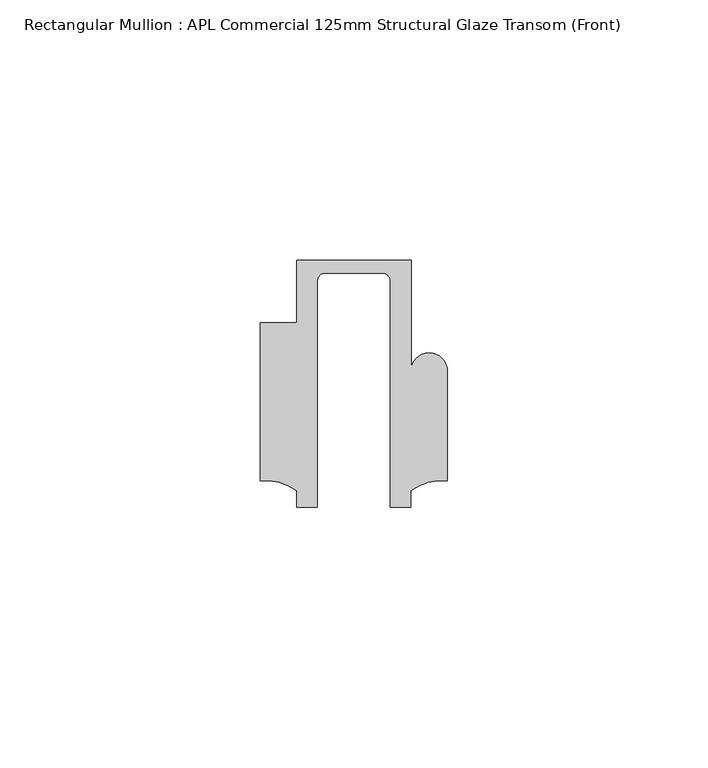
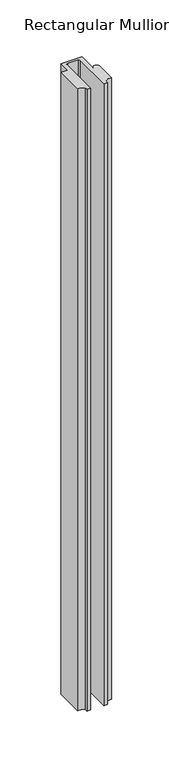
"""IFC4 building model written with IfcOpenShell, lengths in millimetres: member geometry, Rectangular Mullion : APL Commercial 125mm Structural Glaze Transom (Front)."""

from ifc_helpers import new_model, si_unit, frame, origin, place, context, project, spatial, polyline, circle_curve, source, transform, mapped, element, save
from ifc_brep_helpers import plane_surface, cylinder_surface, revolved_surface, advanced_brep


def rectangular_mullion_apl_commercial_125mm_structural_glaze_444cc3c3(model_context):
    return source(origin(), model_context, "Body", "AdvancedBrep", [
        advanced_brep(
        [(-11.0000151, 27.0, 0.0), (-11.0000151, 15.0006281, 0.0), (-17.9999542, 15.0006281, 0.0), (-17.9999542, -15.3797475, 0.0), (-10.9999994, -17.3125325, 0.0), (-10.9999994, -20.5, 0.0), (-6.9999853, -20.5, 0.0), (-6.9999853, 22.9976091, 0.0), (-5.4999873, 24.5, 0.0), (5.4999872, 24.5, 0.0), (6.9999849, 22.9973451, 0.0), (6.9999849, -20.5, 0.0), (11.0000151, -20.5, 0.0), (11.0000151, -17.3125212, 0.0), (17.9999542, -15.3797475, 0.0), (17.9999542, 5.684606, 0.0), (11.001071, 5.5848769, 0.0), (11.001071, 27.0, 0.0), (-11.0000151, 27.0, -695.1973517), (11.001071, 27.0, -695.1973517), (11.001071, 5.5848769, -695.1973517), (17.9999091, 5.6750512, -695.1973517), (17.9999542, -15.3797475, -695.1973517), (11.0000151, -17.3125212, -695.1973517), (11.0000151, -20.5, -695.1973517), (6.9999849, -20.5, -695.1973517), (6.9999849, 22.9973451, -695.1973517), (5.4999872, 24.5, -695.1973517), (-5.4999873, 24.5, -695.1973517), (-6.9999853, 22.9976091, -695.1973517), (-6.9999853, -20.5, -695.1973517), (-10.9999994, -20.5, -695.1973517), (-10.9999994, -17.3125325, -695.1973517), (-17.9999542, -15.3797475, -695.1973517), (-17.9999542, 15.0006281, -695.1973517), (-11.0000151, 15.0006281, -695.1973517)],
        [
            (0, 1),
            (1, 2),
            (2, 3),
            (3, 4, circle_curve(frame((-17.109817, -25.7981812, 0.0), z_axis=(0.0, 0.0, -1.0), x_axis=(0.0, 1.0, 0.0)), 10.4563907)),
            (4, 5),
            (5, 6),
            (6, 7),
            (7, 8, circle_curve(frame((-5.4999873, 23.0, 0.0), z_axis=(0.0, 0.0, -1.0), x_axis=(2.7320010112268853e-08, 0.9999999999999997, 0.0)), 1.5)),
            (8, 9),
            (9, 10, circle_curve(frame((5.4999872, 23.0, 0.0), z_axis=(0.0, 0.0, -1.0), x_axis=(0.9999999999999986, -5.463622857820516e-08, 0.0)), 1.5)),
            (10, 11),
            (11, 12),
            (12, 13),
            (13, 14, circle_curve(frame((17.109817, -25.7981812, 0.0), z_axis=(0.0, 0.0, -1.0), x_axis=(0.0, 1.0, 0.0)), 10.4563907)),
            (14, 15),
            (15, 16, circle_curve(frame((14.4999091, 5.6750512, 0.0), z_axis=(0.0, 0.0, 1.0), x_axis=(-0.9999826028573957, -0.005898642432633649, 0.0)), 3.5)),
            (16, 17),
            (17, 0),
            (18, 19),
            (19, 20),
            (20, 21, circle_curve(frame((14.4999091, 5.6750512, -695.1973517), z_axis=(0.0, 0.0, -1.0), x_axis=(-0.9999826028573957, -0.005898642432633649, 0.0)), 3.5)),
            (21, 22),
            (22, 23, circle_curve(frame((17.109817, -25.7981812, -695.1973517), z_axis=(0.0, 0.0, 1.0), x_axis=(0.0, 1.0, 0.0)), 10.4563907)),
            (23, 24),
            (24, 25),
            (25, 26),
            (26, 27, circle_curve(frame((5.4999872, 23.0, -695.1973517), z_axis=(0.0, 0.0, 1.0), x_axis=(0.9999999999999986, -5.463622857820516e-08, 0.0)), 1.5)),
            (27, 28),
            (28, 29, circle_curve(frame((-5.4999873, 23.0, -695.1973517), z_axis=(0.0, 0.0, 1.0), x_axis=(2.7320010112268853e-08, 0.9999999999999997, 0.0)), 1.5)),
            (29, 30),
            (30, 31),
            (31, 32),
            (32, 33, circle_curve(frame((-17.109817, -25.7981812, -695.1973517), z_axis=(0.0, 0.0, 1.0), x_axis=(0.0, 1.0, 0.0)), 10.4563907)),
            (33, 34),
            (34, 35),
            (35, 18),
            (0, 18),
            (35, 1),
            (34, 2),
            (33, 3),
            (32, 4),
            (31, 5),
            (30, 6),
            (29, 7),
            (28, 8),
            (27, 9),
            (26, 10),
            (25, 11),
            (24, 12),
            (23, 13),
            (22, 14),
            (21, 15),
            (20, 16),
            (19, 17),
        ],
        [
            plane_surface(frame((0.0, -29.1551636, 0.0), z_axis=(0.0, 0.0, 1.0), x_axis=(-1.0, 0.0, 0.0))),
            plane_surface(frame((0.0, -29.1551636, -695.1973517), z_axis=(0.0, 0.0, -1.0), x_axis=(-1.0, 0.0, 0.0))),
            plane_surface(frame((-11.0000151, 27.0, 0.0), z_axis=(-1.0, 0.0, 0.0), x_axis=(0.0, 0.0, -1.0))),
            plane_surface(frame((-11.0000151, 15.0006281, 0.0), z_axis=(0.0, 1.0, 0.0), x_axis=(0.0, 0.0, -1.0))),
            plane_surface(frame((-17.9999542, 15.0006281, 0.0), z_axis=(-1.0, 0.0, 0.0), x_axis=(0.0, 0.0, -1.0))),
            revolved_surface(polyline([(-17.109817, -15.341790499999998, -695.1973517), (-17.109817, -15.341790499999998, 0.0)]), (-17.109817, -25.7981812, 0.0), (0.0, 0.0, -1.0)),
            plane_surface(frame((-10.9999994, -17.3125325, 0.0), z_axis=(-1.0, 0.0, 0.0), x_axis=(0.0, 0.0, -1.0))),
            plane_surface(frame((-10.9999994, -20.5, 0.0), z_axis=(0.0, -1.0, 0.0), x_axis=(0.0, 0.0, -1.0))),
            plane_surface(frame((-6.9999853, -20.5, 0.0), z_axis=(1.0, 0.0, 0.0), x_axis=(0.0, 0.0, -1.0))),
            revolved_surface(polyline([(-5.499987259019985, 24.5, -695.1973517), (-5.499987259019985, 24.5, 0.0)]), (-5.4999873, 23.0, 0.0), (0.0, 0.0, -1.0)),
            plane_surface(frame((-5.4999873, 24.5, 0.0), z_axis=(0.0, -1.0, 0.0), x_axis=(0.0, 0.0, -1.0))),
            revolved_surface(polyline([(6.999987199999998, 22.999999918045656, -695.1973517), (6.999987199999998, 22.999999918045656, 0.0)]), (5.4999872, 23.0, 0.0), (0.0, 0.0, -1.0)),
            plane_surface(frame((6.9999849, 22.9973451, 0.0), z_axis=(-1.0, 0.0, 0.0), x_axis=(0.0, 0.0, -1.0))),
            plane_surface(frame((6.9999849, -20.5, 0.0), z_axis=(0.0, -1.0, 0.0), x_axis=(0.0, 0.0, -1.0))),
            plane_surface(frame((11.0000151, -20.5, 0.0), z_axis=(1.0, 0.0, 0.0), x_axis=(0.0, 0.0, -1.0))),
            revolved_surface(polyline([(17.109817, -15.341790499999998, -695.1973517), (17.109817, -15.341790499999998, 0.0)]), (17.109817, -25.7981812, 0.0), (0.0, 0.0, -1.0)),
            plane_surface(frame((17.9999542, -15.3797475, 0.0), z_axis=(1.0, 0.0, 0.0), x_axis=(0.0, 0.0, -1.0))),
            cylinder_surface(frame((14.4999091, 5.6750512, 0.0), z_axis=(0.0, 0.0, 1.0), x_axis=(-0.9999826028573957, -0.005898642432633649, 0.0)), 3.5),
            plane_surface(frame((11.001071, 5.5848769, 0.0), z_axis=(1.0, 0.0, 0.0), x_axis=(0.0, 0.0, -1.0))),
            plane_surface(frame((11.001071, 27.0, 0.0), z_axis=(0.0, 1.0, 0.0), x_axis=(0.0, 0.0, -1.0))),
        ],
        [
            (0, [[1, 2, 3, 4, 5, 6, 7, 8, 9, 10, 11, 12, 13, 14, 15, 16, 17, 18]]),
            (1, [[19, 20, 21, 22, 23, 24, 25, 26, 27, 28, 29, 30, 31, 32, 33, 34, 35, 36]]),
            (2, [[-1, 37, -36, 38]]),
            (3, [[-2, -38, -35, 39]]),
            (4, [[-3, -39, -34, 40]]),
            (5, [[-4, -40, -33, 41]]),
            (6, [[-5, -41, -32, 42]]),
            (7, [[-6, -42, -31, 43]]),
            (8, [[-7, -43, -30, 44]]),
            (9, [[-8, -44, -29, 45]]),
            (10, [[-9, -45, -28, 46]]),
            (11, [[-10, -46, -27, 47]]),
            (12, [[-11, -47, -26, 48]]),
            (13, [[-12, -48, -25, 49]]),
            (14, [[-13, -49, -24, 50]]),
            (15, [[-14, -50, -23, 51]]),
            (16, [[-15, -51, -22, 52]]),
            (17, [[-16, -52, -21, 53]]),
            (18, [[-17, -53, -20, 54]]),
            (19, [[-18, -54, -19, -37]]),
        ],
    ),
    ])


if __name__ == "__main__":
    model = new_model("IFC4")
    model_context = context("Model", 3, world=origin())
    ifc_project = project(units=[si_unit("LENGTHUNIT", "METRE", prefix="MILLI")], contexts=[model_context])
    site = spatial("IfcSite", under=ifc_project)
    building = spatial("IfcBuilding", under=site)
    placement = place(None, origin())
    rectangular_mullion_apl_commercial_125mm_structural_glaze_shape = rectangular_mullion_apl_commercial_125mm_structural_glaze_444cc3c3(model_context)
    element("IfcMember", 1, ObjectType="Rectangular Mullion : APL Commercial 125mm Structural Glaze Transom (Front)", at=placement, inside=building, context=model_context, shape_type="MappedRepresentation", body=[
        mapped(rectangular_mullion_apl_commercial_125mm_structural_glaze_shape, transform((0.0, 0.0, 0.0), x_axis=(1.0, 0.0, 0.0), y_axis=(0.0, 1.0, 0.0), z_axis=(0.0, 0.0, 1.0))),
    ])
    save(model, "model.ifc")
